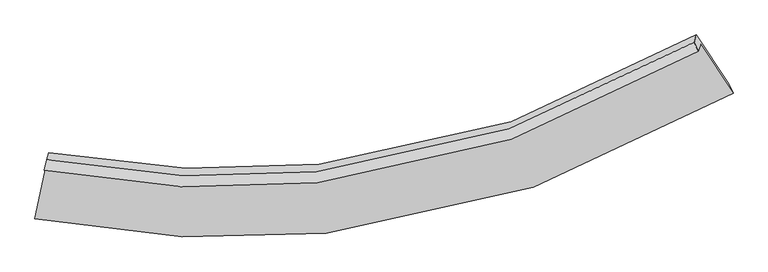
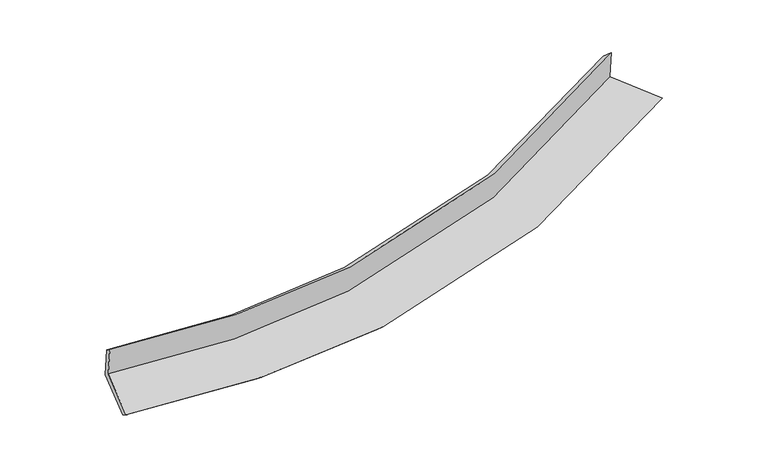
"""IFC4 building model written with IfcOpenShell, lengths in millimetres: proxy geometry."""

from ifc_helpers import new_model, si_unit, frame, origin, place, context, project, spatial, source, transform, mapped, element, save
from ifc_brep_helpers import plane_surface, spline_curve, spline_surface, advanced_brep


def generic_models_2492c90b(model_context):
    return source(origin(), model_context, "Body", "AdvancedBrep", [
        advanced_brep(
        [(-3507.3874827, -1876.2762313, 1619.080168), (-3638.550446, -2505.5254987, 1480.5454191), (4220.1367859, -1094.4914464, 2269.2574978), (3853.4573135, -539.5621389, 2360.6091406), (-3533.0912846, -1959.4811608, 2021.3476728), (3828.4173951, -620.6180329, 2752.4867907), (-3506.5141542, -1842.9836642, 1931.5909788), (3781.8101045, -517.7891588, 2659.4015516), (-3480.6536218, -1759.2713876, 1526.8706234), (3807.2241658, -435.5221389, 2261.6685203), (-3610.3147192, -2381.3155107, 1389.9221503), (4170.9243675, -985.9426458, 2171.0591096)],
        [
            (0, 1),
            (1, 2, spline_curve(3, [(-3638.550446, -2505.5254987, 1480.5454191), (-2519.731665756, -2722.708584125, 1503.901616795), (-1426.850004991, -2776.275521326, 1560.449412515), (1223.930868164, -2502.862675473, 1783.403332663), (2750.611618263, -1978.951054407, 1989.759563443), (4220.1367859, -1094.4914464, 2269.2574978)], [4, 2, 4], [0.0, 10.452963603872096, 25.96996836669227])),
            (2, 3),
            (3, 0, spline_curve(3, [(3853.4573135, -539.5621389, 2360.6091406), (2479.067368091, -1368.595084514, 2098.654528038), (1049.922627889, -1861.353193087, 1904.974370269), (-1433.599452622, -2123.250748937, 1695.089653181), (-2458.069644915, -2076.064004103, 1641.593486794), (-3507.3874827, -1876.2762313, 1619.080168)], [4, 2, 4], [0.0, 15.517004762820175, 25.96996836669227])),
            (4, 0),
            (3, 5),
            (5, 4, spline_curve(3, [(3828.4173951, -620.6180329, 2752.4867907), (2454.069510361, -1449.514825006, 2489.873922567), (1024.862697156, -1942.473869816, 2297.165221625), (-1458.937556772, -2205.271889183, 2091.633940771), (-2483.566970063, -2158.600553889, 2040.629602478), (-3533.0912846, -1959.4811608, 2021.3476728)], [4, 2, 4], [0.0, 15.011403542328514, 25.123771055869057])),
            (6, 4),
            (5, 7),
            (7, 6, spline_curve(3, [(3781.8101045, -517.7891588, 2659.4015516), (2420.332021519, -1333.622058306, 2402.985190848), (1005.014370009, -1819.696276234, 2213.166697006), (-1453.834300872, -2081.313103545, 2006.939025595), (-2467.958068717, -2036.970386877, 1954.153994903), (-3506.5141542, -1842.9836642, 1931.5909788)], [4, 2, 4], [0.0, 14.93452422554163, 24.99510231757027])),
            (8, 6),
            (7, 9),
            (9, 8, spline_curve(3, [(3807.2241658, -435.5221389, 2261.6685203), (2446.203974534, -1249.87281226, 1998.086101528), (1031.123755824, -1735.178444251, 1804.551755446), (-1427.696506285, -1996.703310058, 1597.87948233), (-2441.908883259, -1952.647427891, 1546.481196641), (-3480.6536218, -1759.2713876, 1526.8706234)], [4, 2, 4], [0.0, 14.857644116284112, 24.866432252956415])),
            (10, 8),
            (9, 11),
            (11, 10, spline_curve(3, [(4170.9243675, -985.9426458, 2171.0591096), (2717.153790675, -1871.126666686, 1886.899037582), (1206.030724102, -2393.466164242, 1679.567736654), (-1419.041651343, -2660.40424245, 1461.152737312), (-2501.664947677, -2603.18903334, 1408.105052017), (-3610.3147192, -2381.3155107, 1389.9221503)], [4, 2, 4], [0.0, 15.366105538015125, 25.717416527297637])),
            (1, 10),
            (11, 2),
        ],
        [
            spline_surface(3, 3, [[(-3507.3874827, -1876.2762313, 1619.080168), (-2458.069645057, -2076.064004246, 1641.593486877), (-1433.599452762, -2123.250748828, 1695.089653116), (1049.922628098, -1861.353193249, 1904.974370367), (2479.067367875, -1368.59508453, 2098.654528294), (3853.4573135, -539.5621389, 2360.6091406)], [(-3551.108470471, -2086.025987097, 1572.901918381), (-2478.623651976, -2291.612197509, 1595.696196828), (-1431.349636827, -2340.925672987, 1650.209572871), (1107.925374829, -2075.189687375, 1864.450691188), (2569.58211794, -1572.047074445, 2062.35620665), (3975.683804293, -724.53857475, 2330.158593002)], [(-3594.829458229, -2295.775742903, 1526.723668719), (-2499.177658882, -2507.160390781, 1549.798906735), (-1429.099820963, -2558.600597096, 1605.329492639), (1165.928121489, -2289.026181452, 1823.927012021), (2660.096868026, -1775.499064312, 2026.057885002), (4097.910295107, -909.51501055, 2299.708045398)], [(-3638.550446, -2505.5254987, 1480.5454191), (-2519.731665801, -2722.708584045, 1503.901616686), (-1426.850005028, -2776.275521255, 1560.449412394), (1223.93086822, -2502.862675578, 1783.403332842), (2750.611618091, -1978.951054226, 1989.759563359), (4220.1367859, -1094.4914464, 2269.2574978)]], [4, 4], [4, 2, 4], [0.0, 2.1868781403302684], [0.0, 10.452963603872096, 25.96996836669227]),
            spline_surface(3, 3, [[(-3533.0912846, -1959.4811608, 2021.3476728), (-2483.566969957, -2158.600553857, 2040.629602483), (-1458.937556651, -2205.271889226, 2091.633940752), (1024.862696977, -1942.473869751, 2297.165221653), (2454.069510231, -1449.514825043, 2489.873922639), (3828.4173951, -620.6180329, 2752.4867907)], [(-3524.523350647, -1931.746184303, 1887.258504544), (-2475.067861671, -2131.088370656, 1907.617563958), (-1450.491522047, -2177.931509089, 1959.452511549), (1033.216007325, -1915.433644247, 2166.4349379), (2462.402129426, -1422.54157819, 2359.467457862), (3836.764034547, -593.599401551, 2621.860907338)], [(-3515.955416653, -1904.011207797, 1753.169336256), (-2466.568753344, -2103.576187447, 1774.605525402), (-1442.045487367, -2150.591128964, 1827.271082319), (1041.569317749, -1888.393418754, 2035.70465412), (2470.73474868, -1395.568331383, 2229.060993071), (3845.110674053, -566.580770249, 2491.235023962)], [(-3507.3874827, -1876.2762313, 1619.080168), (-2458.069645057, -2076.064004246, 1641.593486877), (-1433.599452762, -2123.250748828, 1695.089653116), (1049.922628098, -1861.353193249, 1904.974370367), (2479.067367875, -1368.59508453, 2098.654528294), (3853.4573135, -539.5621389, 2360.6091406)]], [4, 4], [4, 2, 4], [0.0, 1.3214157538885256], [0.0, 10.112367513540542, 25.123771055869057]),
            spline_surface(3, 3, [[(-3506.5141542, -1842.9836642, 1931.5909788), (-2467.95806885, -2036.970387031, 1954.15399485), (-1453.834300859, -2081.313103454, 2006.939025558), (1005.014369989, -1819.69627637, 2213.166697061), (2420.332021567, -1333.622058164, 2402.985190605), (3781.8101045, -517.7891588, 2659.4015516)], [(-3515.373197653, -1881.816163059, 1961.509876798), (-2473.161035872, -2077.513775966, 1982.979197393), (-1455.535386101, -2122.632698714, 2035.170663941), (1011.630479008, -1860.622140833, 2241.166205243), (2431.57785114, -1372.252980478, 2431.948101297), (3797.345868051, -552.065450187, 2690.429964647)], [(-3524.232241147, -1920.648661941, 1991.428774802), (-2478.364002935, -2118.057164923, 2011.804399941), (-1457.23647141, -2163.952293966, 2063.40230237), (1018.246587958, -1901.548005288, 2269.165713472), (2442.823680659, -1410.883902729, 2460.911011948), (3812.881631549, -586.341741513, 2721.458377653)], [(-3533.0912846, -1959.4811608, 2021.3476728), (-2483.566969957, -2158.600553857, 2040.629602483), (-1458.937556651, -2205.271889226, 2091.633940752), (1024.862696977, -1942.473869751, 2297.165221653), (2454.069510231, -1449.514825043, 2489.873922639), (3828.4173951, -620.6180329, 2752.4867907)]], [4, 4], [4, 2, 4], [0.0, 0.4902131685442645], [0.0, 10.060578092028642, 24.99510231757027]),
            spline_surface(3, 3, [[(-3480.6536218, -1759.2713876, 1526.8706234), (-2441.908883371, -1952.64742777, 1546.481196705), (-1427.696506256, -1996.703310078, 1597.879482486), (1031.12375578, -1735.178444222, 1804.551755215), (2446.203974502, -1249.872812352, 1998.086101682), (3807.2241658, -435.5221389, 2261.6685203)], [(-3489.273799252, -1787.175479808, 1661.777408536), (-2450.591945183, -1980.755080865, 1682.372129423), (-1436.409104481, -2024.90657452, 1734.232663516), (1022.42062716, -1763.351054921, 1940.756735837), (2437.579990188, -1277.789227624, 2133.052464641), (3798.752812031, -462.944478868, 2394.246197384)], [(-3497.893976748, -1815.079571992, 1796.684193664), (-2459.275007038, -2008.862733937, 1818.263062132), (-1445.121702634, -2053.109839012, 1870.585844528), (1013.71749861, -1791.52366567, 2076.96171644), (2428.956005881, -1305.705642892, 2268.018827646), (3790.281458269, -490.366818832, 2526.823874516)], [(-3506.5141542, -1842.9836642, 1931.5909788), (-2467.95806885, -2036.970387031, 1954.15399485), (-1453.834300859, -2081.313103454, 2006.939025558), (1005.014369989, -1819.69627637, 2213.166697061), (2420.332021567, -1333.622058164, 2402.985190605), (3781.8101045, -517.7891588, 2659.4015516)]], [4, 4], [4, 2, 4], [0.0, 1.3711845654312536], [0.0, 10.008788136672303, 24.866432252956415]),
            spline_surface(3, 3, [[(-3610.3147192, -2381.3155107, 1389.9221503), (-2501.664947588, -2603.189033198, 1408.10505202), (-1419.041651507, -2660.404242351, 1461.152737322), (1206.030724346, -2393.466164388, 1679.567736639), (2717.153790544, -1871.126666929, 1886.899037713), (4170.9243675, -985.9426458, 2171.0591096)], [(-3567.094353427, -2173.967469664, 1435.571641335), (-2481.746259542, -2386.341831386, 1454.230433583), (-1421.926603068, -2439.170598247, 1506.728319039), (1147.728401514, -2174.036924319, 1721.22907616), (2626.837185208, -1664.042048728, 1923.961392369), (4049.690966944, -802.469143492, 2201.262246499)], [(-3523.873987573, -1966.619428636, 1481.221132365), (-2461.827571416, -2169.494629582, 1500.355815141), (-1424.811554696, -2217.936954183, 1552.303900769), (1089.426078613, -1954.607684291, 1762.890415694), (2536.520579838, -1456.957430552, 1961.023747027), (3928.457566356, -618.995641208, 2231.465383401)], [(-3480.6536218, -1759.2713876, 1526.8706234), (-2441.908883371, -1952.64742777, 1546.481196705), (-1427.696506256, -1996.703310078, 1597.879482486), (1031.12375578, -1735.178444222, 1804.551755215), (2446.203974502, -1249.872812352, 1998.086101682), (3807.2241658, -435.5221389, 2261.6685203)]], [4, 4], [4, 2, 4], [0.0, 2.2341370207063673], [0.0, 10.351310989282512, 25.717416527297637]),
            spline_surface(3, 3, [[(-3638.550446, -2505.5254987, 1480.5454191), (-2519.731665801, -2722.708584045, 1503.901616686), (-1426.850005028, -2776.275521255, 1560.449412394), (1223.93086822, -2502.862675578, 1783.403332842), (2750.611618091, -1978.951054226, 1989.759563359), (4220.1367859, -1094.4914464, 2269.2574978)], [(-3629.13853705, -2464.122169369, 1450.337662806), (-2513.70942638, -2682.868733765, 1471.969428436), (-1424.247220541, -2737.651761635, 1527.350520713), (1217.964153575, -2466.397171863, 1748.79146745), (2739.459008908, -1943.009591779, 1955.472721474), (4203.732646433, -1058.308512852, 2236.52470173)], [(-3619.72662815, -2422.718840031, 1420.129906594), (-2507.687187009, -2643.028883477, 1440.03724027), (-1421.644435994, -2699.028001971, 1494.251629003), (1211.997438991, -2429.931668104, 1714.179602031), (2728.306399727, -1907.068129376, 1921.185879598), (4187.328506967, -1022.125579348, 2203.79190567)], [(-3610.3147192, -2381.3155107, 1389.9221503), (-2501.664947588, -2603.189033198, 1408.10505202), (-1419.041651507, -2660.404242351, 1461.152737322), (1206.030724346, -2393.466164388, 1679.567736639), (2717.153790544, -1871.126666929, 1886.899037713), (4170.9243675, -985.9426458, 2171.0591096)]], [4, 4], [4, 2, 4], [0.0, 0.4973688143851521], [0.0, 10.743733718132898, 26.692375040579027]),
            plane_surface(frame((3943.6616887, -698.9875936, 2412.4137685), z_axis=(0.8353488985980161, 0.5252987270386759, 0.1620292102758888), x_axis=(-0.062450648963695565, -0.20215693664143478, 0.9773599589771234))),
            plane_surface(frame((-3546.0852848, -2054.1422422, 1661.559502), z_axis=(-0.9779103967312244, 0.2081187094881891, -0.019438588579168838), x_axis=(0.19947724784795037, 0.9569844177042391, 0.21068851858201912))),
        ],
        [
            (0, [[1, 2, 3, 4]]),
            (1, [[5, -4, 6, 7]]),
            (2, [[8, -7, 9, 10]]),
            (3, [[11, -10, 12, 13]]),
            (4, [[14, -13, 15, 16]]),
            (5, [[17, -16, 18, -2]]),
            (6, [[-12, -9, -6, -3, -18, -15]]),
            (7, [[-1, -5, -8, -11, -14, -17]]),
        ],
    ),
    ])


if __name__ == "__main__":
    model = new_model("IFC4")
    model_context = context("Model", 3, world=origin())
    ifc_project = project(units=[si_unit("LENGTHUNIT", "METRE", prefix="MILLI")], contexts=[model_context])
    site = spatial("IfcSite", under=ifc_project)
    building = spatial("IfcBuilding", under=site)
    placement = place(None, origin())
    generic_models_shape = generic_models_2492c90b(model_context)
    element("IfcBuildingElementProxy", 1, Name="Generic Models", at=placement, inside=building, context=model_context, shape_type="MappedRepresentation", body=[
        mapped(generic_models_shape, transform((0.0, 0.0, 0.0), x_axis=(1.0, 0.0, 0.0), y_axis=(0.0, 1.0, 0.0), z_axis=(0.0, 0.0, 1.0))),
    ])
    save(model, "model.ifc")
